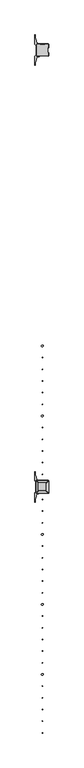
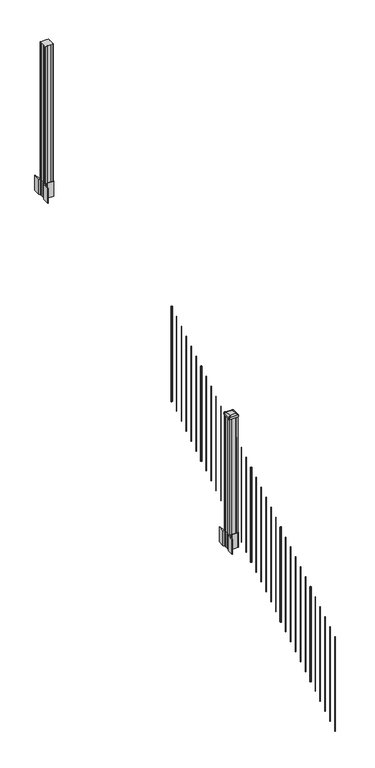
"""IFC4 building model written with IfcOpenShell, lengths in millimetres: railing geometry."""

import ifcopenshell
import ifcopenshell.guid

model = None  # the IFC model being written
_history = None  # IfcOwnerHistory: only IFC2X3 demands one
_inside = {}  # id of a spatial element -> (the spatial element, [elements in it])
_under = {}  # id of a project, library or spatial element -> (it, [spatial elements below it])
_declared = {}  # id of a project -> (the project, [libraries it declares])
_typed = {}  # id of a type object -> (the type object, [elements of that type])
_made_of = {}  # id of a material, layer set ... -> (it, [elements and type objects made of it])


def new_model(schema):
    """Start an empty IFC model of exactly this schema.

    Asked for "IFC4X3", IfcOpenShell would pick the latest addendum, in which some entities
    have other attributes; the version numbers below select the first issue.
    IFC2X3 requires an IfcOwnerHistory on every rooted entity: one is made here for all.
    """
    global model, _history
    if schema == "IFC4X3":
        model = ifcopenshell.file(schema_version=(4, 3, 0, 0))
    else:
        model = ifcopenshell.file(schema=schema)
    _inside.clear()
    _under.clear()
    _declared.clear()
    _typed.clear()
    _made_of.clear()
    _history = None
    if model.schema == "IFC2X3":
        org = make("IfcOrganization", Name="unknown")
        user = make(
            "IfcPersonAndOrganization",
            ThePerson=make("IfcPerson", FamilyName="unknown"),
            TheOrganization=org,
        )
        app = make(
            "IfcApplication",
            ApplicationDeveloper=org,
            Version="unknown",
            ApplicationFullName="unknown",
            ApplicationIdentifier="unknown",
        )
        _history = make(
            "IfcOwnerHistory",
            OwningUser=user,
            OwningApplication=app,
            ChangeAction="ADDED",
            CreationDate=0,
        )
    return model


def make(cls, **values):
    """One entity of the class cls with the attributes given. An attribute that is None is left unset."""
    return model.create_entity(
        cls, **{name: value for name, value in values.items() if value is not None}
    )


def rooted(cls, **values):
    """An entity with a GlobalId (a new one), such as an element, a storey or a relation."""
    return make(cls, GlobalId=ifcopenshell.guid.new(), OwnerHistory=_history, **values)


def si_unit(unit_type, name, prefix=None):
    """IfcSIUnit, for example si_unit("LENGTHUNIT", "METRE", prefix="MILLI")."""
    return make("IfcSIUnit", UnitType=unit_type, Prefix=prefix, Name=name)


def assignment(units):
    """IfcUnitAssignment: the units of a project."""
    return None if units is None else make("IfcUnitAssignment", Units=units)


def point(xyz):
    """IfcCartesianPoint."""
    return None if xyz is None else make("IfcCartesianPoint", Coordinates=xyz)


def direction(xyz):
    """IfcDirection."""
    return None if xyz is None else make("IfcDirection", DirectionRatios=xyz)


def frame(location, z_axis=None, x_axis=None):
    """IfcAxis2Placement3D, a coordinate frame: its origin and axes. An axis left out is left unset."""
    return make(
        "IfcAxis2Placement3D",
        Location=point(location),
        Axis=direction(z_axis),
        RefDirection=direction(x_axis),
    )


def frame_2d(location, x_axis=None):
    """IfcAxis2Placement2D, a coordinate frame in the plane: its origin and x axis."""
    return make(
        "IfcAxis2Placement2D", Location=point(location), RefDirection=direction(x_axis)
    )


def origin():
    """The frame at (0, 0, 0) with its axes left unset."""
    return frame((0.0, 0.0, 0.0))


def place(relative_to, where):
    """IfcLocalPlacement: puts the frame where relative to a parent placement (None: the world)."""
    return make(
        "IfcLocalPlacement", PlacementRelTo=relative_to, RelativePlacement=where
    )


def context(
    kind, dimensions, precision=None, world=None, true_north=None, identifier=None
):
    """IfcGeometricRepresentationContext, for example the 3D "Model" context."""
    return make(
        "IfcGeometricRepresentationContext",
        ContextIdentifier=identifier,
        ContextType=kind,
        CoordinateSpaceDimension=dimensions,
        Precision=precision,
        WorldCoordinateSystem=world,
        TrueNorth=true_north,
    )


def project(units=None, contexts=None):
    """IfcProject with its units and contexts."""
    return rooted(
        "IfcProject",
        Name="project",
        RepresentationContexts=contexts,
        UnitsInContext=assignment(units),
    )


def spatial(cls, under=None, at=None, **own):
    """A site, building, storey or space (cls), placed at a placement, below another one or the project."""
    s = rooted(cls, ObjectPlacement=at, **own)
    if under is not None:
        _under.setdefault(under.id(), (under, []))[1].append(s)
    return s


def polyline(points):
    """IfcPolyline through the points."""
    return make("IfcPolyline", Points=[point(p) for p in points])


def circle_curve(where, radius):
    """IfcCircle in the frame where."""
    return make("IfcCircle", Position=where, Radius=radius)


def trimmed(basis, trim1, trim2, sense, master):
    """IfcTrimmedCurve: the piece of a basis curve between two trims."""
    return make(
        "IfcTrimmedCurve",
        BasisCurve=basis,
        Trim1=trim1,
        Trim2=trim2,
        SenseAgreement=sense,
        MasterRepresentation=master,
    )


def segment(curve, same_sense, transition):
    """IfcCompositeCurveSegment."""
    return make(
        "IfcCompositeCurveSegment",
        Transition=transition,
        SameSense=same_sense,
        ParentCurve=curve,
    )


def composite_curve(segments, self_intersect=None):
    """IfcCompositeCurve: segments joined end to end."""
    return make("IfcCompositeCurve", Segments=segments, SelfIntersect=self_intersect)


def outline(outer, holes=None, kind="AREA"):
    """IfcArbitraryClosedProfileDef: a profile drawn as a closed curve; with holes, ...WithVoids."""
    if holes is None:
        return make("IfcArbitraryClosedProfileDef", ProfileType=kind, OuterCurve=outer)
    return make(
        "IfcArbitraryProfileDefWithVoids",
        ProfileType=kind,
        OuterCurve=outer,
        InnerCurves=holes,
    )


def extrude(swept, where, along, depth):
    """IfcExtrudedAreaSolid: the profile swept, set in the frame where, extruded along a direction by depth."""
    return make(
        "IfcExtrudedAreaSolid",
        SweptArea=swept,
        Position=where,
        ExtrudedDirection=direction(along),
        Depth=depth,
    )


def shape(context_of_items, identifier, shape_type, items):
    """IfcShapeRepresentation: the items that make up one representation, for example the "Body"."""
    return make(
        "IfcShapeRepresentation",
        ContextOfItems=context_of_items,
        RepresentationIdentifier=identifier,
        RepresentationType=shape_type,
        Items=items,
    )


def source(mapping_origin, context_of_items, identifier, shape_type, items):
    """IfcRepresentationMap: a shape defined once, which mapped items show again and again."""
    return make(
        "IfcRepresentationMap",
        MappingOrigin=mapping_origin,
        MappedRepresentation=shape(context_of_items, identifier, shape_type, items),
    )


def transform(
    local_origin,
    x_axis=None,
    y_axis=None,
    z_axis=None,
    scale=None,
    scale2=None,
    scale3=None,
    uniform=True,
):
    """IfcCartesianTransformationOperator3D, or its non-uniform kind. x_axis, y_axis, z_axis: its Axis1, 2, 3."""
    if uniform:
        return make(
            "IfcCartesianTransformationOperator3D",
            Axis1=direction(x_axis),
            Axis2=direction(y_axis),
            LocalOrigin=point(local_origin),
            Scale=scale,
            Axis3=direction(z_axis),
        )
    return make(
        "IfcCartesianTransformationOperator3DnonUniform",
        Axis1=direction(x_axis),
        Axis2=direction(y_axis),
        LocalOrigin=point(local_origin),
        Scale=scale,
        Axis3=direction(z_axis),
        Scale2=scale2,
        Scale3=scale3,
    )


def mapped(mapping_source, mapping_target):
    """IfcMappedItem: shows the shape of a source again, moved by a transform."""
    return make(
        "IfcMappedItem", MappingSource=mapping_source, MappingTarget=mapping_target
    )


def made_of(thing, what):
    """Note that an element or type object is made of a material, layer set ...; save() writes the relation."""
    if what is not None:
        _made_of.setdefault(what.id(), (what, []))[1].append(thing)
    return thing


def element(
    cls,
    number,
    at=None,
    inside=None,
    cuts=None,
    type_object=None,
    material=None,
    context=None,
    identifier="Body",
    shape_type=None,
    held_by="IfcProductDefinitionShape",
    body=None,
    shapes=None,
    **own,
):
    """One element of the class cls, such as IfcWall. Its Tag is "e" and its number.

    at: its placement. inside: the storey or other place that contains it. cuts: it is an
    opening in that element (IfcRelVoidsElement). A single representation is given by context,
    identifier, shape_type and body (its items); several are given by shapes. held_by: the class
    of the entity that holds the representations. save() writes the other relations.
    """
    e = rooted(cls, Tag="e%d" % number, ObjectPlacement=at, **own)
    if body is not None:
        shapes = [shape(context, identifier, shape_type, body)]
    if shapes is not None:
        e.Representation = make(held_by, Representations=shapes)
    if inside is not None:
        _inside.setdefault(inside.id(), (inside, []))[1].append(e)
    if cuts is not None:
        rooted(
            "IfcRelVoidsElement", RelatingBuildingElement=cuts, RelatedOpeningElement=e
        )
    if type_object is not None:
        _typed.setdefault(type_object.id(), (type_object, []))[1].append(e)
    return made_of(e, material)


def aggregate(whole, parts):
    """IfcRelAggregates: a whole, such as a stair, and the parts it consists of."""
    return rooted("IfcRelAggregates", RelatingObject=whole, RelatedObjects=parts)


def save(model, path):
    """Write the relations noted so far, then the file.

    IfcRelAggregates (storeys below a building ...), IfcRelContainedInSpatialStructure (elements
    in a storey), IfcRelDefinesByType, IfcRelAssociatesMaterial and IfcRelDeclares: one each for
    every whole, place, type object, material and project.
    """
    for whole, parts in _under.values():
        aggregate(whole, parts)
    for where, things in _inside.values():
        rooted(
            "IfcRelContainedInSpatialStructure",
            RelatedElements=things,
            RelatingStructure=where,
        )
    for kind, things in _typed.values():
        rooted("IfcRelDefinesByType", RelatedObjects=things, RelatingType=kind)
    for what, things in _made_of.values():
        rooted("IfcRelAssociatesMaterial", RelatedObjects=things, RelatingMaterial=what)
    for by, libraries in _declared.values():
        rooted("IfcRelDeclares", RelatingContext=by, RelatedDefinitions=libraries)
    model.write(path)


def plane_surface(at):
    """IfcPlane: the flat surface through the origin of the frame at, square to its z axis."""
    return make("IfcPlane", Position=at)


def extruded_surface(curve, direction_of_extrusion, depth):
    """IfcSurfaceOfLinearExtrusion: the curve pushed along a direction by depth."""
    return make(
        "IfcSurfaceOfLinearExtrusion",
        SweptCurve=make("IfcArbitraryOpenProfileDef", ProfileType="CURVE", Curve=curve),
        ExtrudedDirection=direction(direction_of_extrusion),
        Depth=depth,
    )


def advanced_brep(points, edges, surfaces, faces):
    """IfcAdvancedBrep: a solid bounded by faces that lie on surfaces and meet in shared edges.

    An edge is (start, end): straight between two places in points (the first is 0);
    or (start, end, curve); or (start, end, curve, False) where it runs against its curve.
    A face is (place in surfaces, loops), or (place, loops, False) where it looks against
    its surface's normal. A loop lists edges by number (the first is 1), with a minus sign
    where the edge is run from its end to its start. The first loop is the outer one.
    """
    corners = [point(p) for p in points]
    vertices = [make("IfcVertexPoint", VertexGeometry=c) for c in corners]
    made = []
    for start, end, *more in edges:
        made.append(
            make(
                "IfcEdgeCurve",
                EdgeStart=vertices[start],
                EdgeEnd=vertices[end],
                EdgeGeometry=more[0] if more else make("IfcPolyline", Points=[corners[start], corners[end]]),
                SameSense=more[1] if len(more) > 1 else True,
            )
        )
    hull = []
    for where, loops, *sense in faces:
        bounds = []
        for j, loop in enumerate(loops):
            ring = [make("IfcOrientedEdge", EdgeElement=made[abs(k) - 1], Orientation=k > 0) for k in loop]
            bounds.append(
                make(
                    "IfcFaceOuterBound" if j == 0 else "IfcFaceBound",
                    Bound=make("IfcEdgeLoop", EdgeList=ring),
                    Orientation=True,
                )
            )
        hull.append(make("IfcAdvancedFace", Bounds=bounds, FaceSurface=surfaces[where], SameSense=sense[0] if sense else True))
    return make("IfcAdvancedBrep", Outer=make("IfcClosedShell", CfsFaces=hull))


def railing_eb08a480(model_context):
    return source(origin(), model_context, "Body", "SolidModel", [
        extrude(outline(composite_curve([segment(trimmed(circle_curve(frame_2d((9703.2376478, -84632.7128453)), 6.35), [point((9709.5876478, -84632.7128453))], [point((9703.2376478, -84639.0628453))], False, "CARTESIAN"), True, "CONTINUOUS"), segment(trimmed(circle_curve(frame_2d((9703.2376478, -84632.7128453)), 6.35), [point((9703.2376478, -84639.0628453))], [point((9696.8876478, -84632.7128453))], False, "CARTESIAN"), True, "CONTINUOUS"), segment(trimmed(circle_curve(frame_2d((9703.2376478, -84632.7128453)), 6.35), [point((9696.8876478, -84632.7128453))], [point((9703.2376478, -84626.3628453))], False, "CARTESIAN"), True, "CONTINUOUS"), segment(trimmed(circle_curve(frame_2d((9703.2376478, -84632.7128453)), 6.35), [point((9703.2376478, -84626.3628453))], [point((9709.5876478, -84632.7128453))], False, "CARTESIAN"), True, "CONTINUOUS")], self_intersect=False)), frame((0.0, 0.0, 2058.1896281), z_axis=(0.0, 0.0, 1.0), x_axis=(1.0, 0.0, 0.0)), (0.0, 0.0, 1.0), 965.2041219),
        extrude(outline(composite_curve([segment(trimmed(circle_curve(frame_2d((9703.2376478, -84715.2628453)), 1.5875), [point((9704.8251478, -84715.2628453))], [point((9703.2376478, -84716.8503453))], False, "CARTESIAN"), True, "CONTINUOUS"), segment(trimmed(circle_curve(frame_2d((9703.2376478, -84715.2628453)), 1.5875), [point((9703.2376478, -84716.8503453))], [point((9701.6501478, -84715.2628453))], False, "CARTESIAN"), True, "CONTINUOUS"), segment(trimmed(circle_curve(frame_2d((9703.2376478, -84715.2628453)), 1.5875), [point((9701.6501478, -84715.2628453))], [point((9703.2376478, -84713.6753453))], False, "CARTESIAN"), True, "CONTINUOUS"), segment(trimmed(circle_curve(frame_2d((9703.2376478, -84715.2628453)), 1.5875), [point((9703.2376478, -84713.6753453))], [point((9704.8251478, -84715.2628453))], False, "CARTESIAN"), True, "CONTINUOUS")], self_intersect=False)), frame((0.0, 0.0, 2006.5958781), z_axis=(0.0, 0.0, 1.0), x_axis=(1.0, 0.0, 0.0)), (0.0, 0.0, 1.0), 965.2041219),
        extrude(outline(composite_curve([segment(trimmed(circle_curve(frame_2d((9703.2376478, -84797.8128453)), 1.5875), [point((9704.8251478, -84797.8128453))], [point((9703.2376478, -84799.4003453))], False, "CARTESIAN"), True, "CONTINUOUS"), segment(trimmed(circle_curve(frame_2d((9703.2376478, -84797.8128453)), 1.5875), [point((9703.2376478, -84799.4003453))], [point((9701.6501478, -84797.8128453))], False, "CARTESIAN"), True, "CONTINUOUS"), segment(trimmed(circle_curve(frame_2d((9703.2376478, -84797.8128453)), 1.5875), [point((9701.6501478, -84797.8128453))], [point((9703.2376478, -84796.2253453))], False, "CARTESIAN"), True, "CONTINUOUS"), segment(trimmed(circle_curve(frame_2d((9703.2376478, -84797.8128453)), 1.5875), [point((9703.2376478, -84796.2253453))], [point((9704.8251478, -84797.8128453))], False, "CARTESIAN"), True, "CONTINUOUS")], self_intersect=False)), frame((0.0, 0.0, 1955.0021281), z_axis=(0.0, 0.0, 1.0), x_axis=(1.0, 0.0, 0.0)), (0.0, 0.0, 1.0), 965.2041219),
        extrude(outline(composite_curve([segment(trimmed(circle_curve(frame_2d((9703.2376478, -84880.3628453)), 1.5875), [point((9704.8251478, -84880.3628453))], [point((9703.2376478, -84881.9503453))], False, "CARTESIAN"), True, "CONTINUOUS"), segment(trimmed(circle_curve(frame_2d((9703.2376478, -84880.3628453)), 1.5875), [point((9703.2376478, -84881.9503453))], [point((9701.6501478, -84880.3628453))], False, "CARTESIAN"), True, "CONTINUOUS"), segment(trimmed(circle_curve(frame_2d((9703.2376478, -84880.3628453)), 1.5875), [point((9701.6501478, -84880.3628453))], [point((9703.2376478, -84878.7753453))], False, "CARTESIAN"), True, "CONTINUOUS"), segment(trimmed(circle_curve(frame_2d((9703.2376478, -84880.3628453)), 1.5875), [point((9703.2376478, -84878.7753453))], [point((9704.8251478, -84880.3628453))], False, "CARTESIAN"), True, "CONTINUOUS")], self_intersect=False)), frame((0.0, 0.0, 1903.4083781), z_axis=(0.0, 0.0, 1.0), x_axis=(1.0, 0.0, 0.0)), (0.0, 0.0, 1.0), 965.2041219),
        extrude(outline(composite_curve([segment(trimmed(circle_curve(frame_2d((9703.2376478, -84962.9128453)), 1.5875), [point((9704.8251478, -84962.9128453))], [point((9703.2376478, -84964.5003453))], False, "CARTESIAN"), True, "CONTINUOUS"), segment(trimmed(circle_curve(frame_2d((9703.2376478, -84962.9128453)), 1.5875), [point((9703.2376478, -84964.5003453))], [point((9701.6501478, -84962.9128453))], False, "CARTESIAN"), True, "CONTINUOUS"), segment(trimmed(circle_curve(frame_2d((9703.2376478, -84962.9128453)), 1.5875), [point((9701.6501478, -84962.9128453))], [point((9703.2376478, -84961.3253453))], False, "CARTESIAN"), True, "CONTINUOUS"), segment(trimmed(circle_curve(frame_2d((9703.2376478, -84962.9128453)), 1.5875), [point((9703.2376478, -84961.3253453))], [point((9704.8251478, -84962.9128453))], False, "CARTESIAN"), True, "CONTINUOUS")], self_intersect=False)), frame((0.0, 0.0, 1851.8146281), z_axis=(0.0, 0.0, 1.0), x_axis=(1.0, 0.0, 0.0)), (0.0, 0.0, 1.0), 965.2041219),
        extrude(outline(composite_curve([segment(trimmed(circle_curve(frame_2d((9703.2376478, -85045.4628453)), 1.5875), [point((9704.8251478, -85045.4628453))], [point((9703.2376478, -85047.0503453))], False, "CARTESIAN"), True, "CONTINUOUS"), segment(trimmed(circle_curve(frame_2d((9703.2376478, -85045.4628453)), 1.5875), [point((9703.2376478, -85047.0503453))], [point((9701.6501478, -85045.4628453))], False, "CARTESIAN"), True, "CONTINUOUS"), segment(trimmed(circle_curve(frame_2d((9703.2376478, -85045.4628453)), 1.5875), [point((9701.6501478, -85045.4628453))], [point((9703.2376478, -85043.8753453))], False, "CARTESIAN"), True, "CONTINUOUS"), segment(trimmed(circle_curve(frame_2d((9703.2376478, -85045.4628453)), 1.5875), [point((9703.2376478, -85043.8753453))], [point((9704.8251478, -85045.4628453))], False, "CARTESIAN"), True, "CONTINUOUS")], self_intersect=False)), frame((0.0, 0.0, 1800.2208781), z_axis=(0.0, 0.0, 1.0), x_axis=(1.0, 0.0, 0.0)), (0.0, 0.0, 1.0), 965.2041219),
        extrude(outline(composite_curve([segment(trimmed(circle_curve(frame_2d((9703.2376478, -85128.0128453)), 6.35), [point((9709.5876478, -85128.0128453))], [point((9703.2376478, -85134.3628453))], False, "CARTESIAN"), True, "CONTINUOUS"), segment(trimmed(circle_curve(frame_2d((9703.2376478, -85128.0128453)), 6.35), [point((9703.2376478, -85134.3628453))], [point((9696.8876478, -85128.0128453))], False, "CARTESIAN"), True, "CONTINUOUS"), segment(trimmed(circle_curve(frame_2d((9703.2376478, -85128.0128453)), 6.35), [point((9696.8876478, -85128.0128453))], [point((9703.2376478, -85121.6628453))], False, "CARTESIAN"), True, "CONTINUOUS"), segment(trimmed(circle_curve(frame_2d((9703.2376478, -85128.0128453)), 6.35), [point((9703.2376478, -85121.6628453))], [point((9709.5876478, -85128.0128453))], False, "CARTESIAN"), True, "CONTINUOUS")], self_intersect=False)), frame((0.0, 0.0, 1748.6271281), z_axis=(0.0, 0.0, 1.0), x_axis=(1.0, 0.0, 0.0)), (0.0, 0.0, 1.0), 965.2041219),
        extrude(outline(composite_curve([segment(trimmed(circle_curve(frame_2d((9703.2376478, -85210.5628453)), 1.5875), [point((9704.8251478, -85210.5628453))], [point((9703.2376478, -85212.1503453))], False, "CARTESIAN"), True, "CONTINUOUS"), segment(trimmed(circle_curve(frame_2d((9703.2376478, -85210.5628453)), 1.5875), [point((9703.2376478, -85212.1503453))], [point((9701.6501478, -85210.5628453))], False, "CARTESIAN"), True, "CONTINUOUS"), segment(trimmed(circle_curve(frame_2d((9703.2376478, -85210.5628453)), 1.5875), [point((9701.6501478, -85210.5628453))], [point((9703.2376478, -85208.9753453))], False, "CARTESIAN"), True, "CONTINUOUS"), segment(trimmed(circle_curve(frame_2d((9703.2376478, -85210.5628453)), 1.5875), [point((9703.2376478, -85208.9753453))], [point((9704.8251478, -85210.5628453))], False, "CARTESIAN"), True, "CONTINUOUS")], self_intersect=False)), frame((0.0, 0.0, 1697.0333781), z_axis=(0.0, 0.0, 1.0), x_axis=(1.0, 0.0, 0.0)), (0.0, 0.0, 1.0), 965.2041219),
        extrude(outline(composite_curve([segment(trimmed(circle_curve(frame_2d((9703.2376478, -85293.1128453)), 1.5875), [point((9704.8251478, -85293.1128453))], [point((9703.2376478, -85294.7003453))], False, "CARTESIAN"), True, "CONTINUOUS"), segment(trimmed(circle_curve(frame_2d((9703.2376478, -85293.1128453)), 1.5875), [point((9703.2376478, -85294.7003453))], [point((9701.6501478, -85293.1128453))], False, "CARTESIAN"), True, "CONTINUOUS"), segment(trimmed(circle_curve(frame_2d((9703.2376478, -85293.1128453)), 1.5875), [point((9701.6501478, -85293.1128453))], [point((9703.2376478, -85291.5253453))], False, "CARTESIAN"), True, "CONTINUOUS"), segment(trimmed(circle_curve(frame_2d((9703.2376478, -85293.1128453)), 1.5875), [point((9703.2376478, -85291.5253453))], [point((9704.8251478, -85293.1128453))], False, "CARTESIAN"), True, "CONTINUOUS")], self_intersect=False)), frame((0.0, 0.0, 1645.4396281), z_axis=(0.0, 0.0, 1.0), x_axis=(1.0, 0.0, 0.0)), (0.0, 0.0, 1.0), 965.2041219),
        extrude(outline(composite_curve([segment(trimmed(circle_curve(frame_2d((9703.2376478, -85375.6628453)), 1.5875), [point((9704.8251478, -85375.6628453))], [point((9703.2376478, -85377.2503453))], False, "CARTESIAN"), True, "CONTINUOUS"), segment(trimmed(circle_curve(frame_2d((9703.2376478, -85375.6628453)), 1.5875), [point((9703.2376478, -85377.2503453))], [point((9701.6501478, -85375.6628453))], False, "CARTESIAN"), True, "CONTINUOUS"), segment(trimmed(circle_curve(frame_2d((9703.2376478, -85375.6628453)), 1.5875), [point((9701.6501478, -85375.6628453))], [point((9703.2376478, -85374.0753453))], False, "CARTESIAN"), True, "CONTINUOUS"), segment(trimmed(circle_curve(frame_2d((9703.2376478, -85375.6628453)), 1.5875), [point((9703.2376478, -85374.0753453))], [point((9704.8251478, -85375.6628453))], False, "CARTESIAN"), True, "CONTINUOUS")], self_intersect=False)), frame((0.0, 0.0, 1593.8458781), z_axis=(0.0, 0.0, 1.0), x_axis=(1.0, 0.0, 0.0)), (0.0, 0.0, 1.0), 965.2041219),
        extrude(outline(composite_curve([segment(trimmed(circle_curve(frame_2d((9703.2376478, -85458.2128453)), 1.5875), [point((9704.8251478, -85458.2128453))], [point((9703.2376478, -85459.8003453))], False, "CARTESIAN"), True, "CONTINUOUS"), segment(trimmed(circle_curve(frame_2d((9703.2376478, -85458.2128453)), 1.5875), [point((9703.2376478, -85459.8003453))], [point((9701.6501478, -85458.2128453))], False, "CARTESIAN"), True, "CONTINUOUS"), segment(trimmed(circle_curve(frame_2d((9703.2376478, -85458.2128453)), 1.5875), [point((9701.6501478, -85458.2128453))], [point((9703.2376478, -85456.6253453))], False, "CARTESIAN"), True, "CONTINUOUS"), segment(trimmed(circle_curve(frame_2d((9703.2376478, -85458.2128453)), 1.5875), [point((9703.2376478, -85456.6253453))], [point((9704.8251478, -85458.2128453))], False, "CARTESIAN"), True, "CONTINUOUS")], self_intersect=False)), frame((0.0, 0.0, 1542.2521281), z_axis=(0.0, 0.0, 1.0), x_axis=(1.0, 0.0, 0.0)), (0.0, 0.0, 1.0), 965.2041219),
        extrude(outline(composite_curve([segment(trimmed(circle_curve(frame_2d((9703.2376478, -85540.7628453)), 1.5875), [point((9704.8251478, -85540.7628453))], [point((9703.2376478, -85542.3503453))], False, "CARTESIAN"), True, "CONTINUOUS"), segment(trimmed(circle_curve(frame_2d((9703.2376478, -85540.7628453)), 1.5875), [point((9703.2376478, -85542.3503453))], [point((9701.6501478, -85540.7628453))], False, "CARTESIAN"), True, "CONTINUOUS"), segment(trimmed(circle_curve(frame_2d((9703.2376478, -85540.7628453)), 1.5875), [point((9701.6501478, -85540.7628453))], [point((9703.2376478, -85539.1753453))], False, "CARTESIAN"), True, "CONTINUOUS"), segment(trimmed(circle_curve(frame_2d((9703.2376478, -85540.7628453)), 1.5875), [point((9703.2376478, -85539.1753453))], [point((9704.8251478, -85540.7628453))], False, "CARTESIAN"), True, "CONTINUOUS")], self_intersect=False)), frame((0.0, 0.0, 1490.6583781), z_axis=(0.0, 0.0, 1.0), x_axis=(1.0, 0.0, 0.0)), (0.0, 0.0, 1.0), 965.2041219),
        extrude(outline(composite_curve([segment(polyline([(9745.9731478, -85647.0489401), (9747.5606478, -85647.8109401), (9747.5606478, -85670.6128682), (9744.1876707, -85673.9858453), (9682.7279999, -85673.9858453), (9682.7279999, -85674.9065953), (9677.4104561, -85674.9065953), (9677.4104561, -85676.36085), (9672.3259264, -85676.36085), (9672.3259264, -85677.6448738), (9670.6586541, -85677.6448738)]), True, "CONTINUOUS"), segment(trimmed(circle_curve(frame_2d((9670.6586541, -85684.7043337)), 7.0594599), [point((9670.6586541, -85677.6448738))], [point((9663.8913912, -85682.694327))], True, "CARTESIAN"), True, "CONTINUOUS"), segment(polyline([(9663.8913912, -85682.694327), (9656.0171969, -85709.2050561)]), True, "CONTINUOUS"), segment(trimmed(circle_curve(frame_2d((9710.8017103, -85725.4771057)), 57.15), [point((9656.0171969, -85709.2050561))], [point((9653.6517103, -85725.4771057))], True, "CARTESIAN"), True, "CONTINUOUS"), segment(polyline([(9653.6517103, -85725.4771057), (9653.6517103, -85737.4858453), (9650.6517103, -85737.4858453), (9650.6517103, -85672.3983453), (9658.9146478, -85661.060054), (9658.9146478, -85647.8109401), (9660.5021478, -85647.0489401), (9660.5021478, -85612.2767504), (9658.9146478, -85611.5147504), (9658.9146478, -85598.2656366), (9650.6517103, -85586.9273453), (9650.6517103, -85521.8398453), (9653.6517103, -85521.8398453), (9653.6517103, -85533.8485848)]), True, "CONTINUOUS"), segment(trimmed(circle_curve(frame_2d((9710.8017103, -85533.8485848)), 57.15), [point((9653.6517103, -85533.8485848))], [point((9656.0171969, -85550.1206345))], True, "CARTESIAN"), True, "CONTINUOUS"), segment(polyline([(9656.0171969, -85550.1206345), (9663.8913912, -85576.6313636)]), True, "CONTINUOUS"), segment(trimmed(circle_curve(frame_2d((9670.6586541, -85574.6213569)), 7.0594599), [point((9663.8913912, -85576.6313636))], [point((9670.6586541, -85581.6808168))], True, "CARTESIAN"), True, "CONTINUOUS"), segment(polyline([(9670.6586541, -85581.6808168), (9672.3259264, -85581.6808168), (9672.3259264, -85582.9648406), (9677.4104561, -85582.9648406), (9677.4104561, -85584.4190953), (9682.7279999, -85584.4190953), (9682.7279999, -85585.3398453), (9744.1876707, -85585.3398453), (9747.5606478, -85588.7128224), (9747.5606478, -85611.5147504), (9745.9731478, -85612.2767504), (9745.9731478, -85647.0489401)]), True, "CONTINUOUS")], self_intersect=False), holes=[polyline([(9661.9626478, -85589.9753453), (9661.9626478, -85669.3503453), (9663.5501478, -85670.9378453), (9700.4744304, -85670.9378453), (9742.9251478, -85670.9378453), (9744.5126478, -85669.3503453), (9744.5126478, -85589.9753453), (9742.9251478, -85588.3878453), (9700.4744304, -85588.3878453), (9663.5501478, -85588.3878453), (9661.9626478, -85589.9753453)])]), frame((0.0, 0.0, 1181.1), z_axis=(0.0, 0.0, 1.0), x_axis=(1.0, 0.0, 0.0)), (0.0, 0.0, 1.0), 152.4),
        advanced_brep(
        [(9677.4407728, -85658.6347203, 2545.839263), (9729.0345228, -85658.6347203, 2545.839263), (9732.2095228, -85655.4597203, 2545.839263), (9732.2095228, -85603.8659703, 2545.839263), (9729.0345228, -85600.6909703, 2545.839263), (9677.4407728, -85600.6909703, 2545.839263), (9674.2657728, -85603.8659703, 2545.839263), (9674.2657728, -85655.4597203, 2545.839263), (9661.1688978, -85674.9065953, 2534.536263), (9657.9938978, -85671.7315953, 2534.536263), (9657.9938978, -85587.5940953, 2534.536263), (9661.1688978, -85584.4190953, 2534.536263), (9745.3063978, -85584.4190953, 2534.536263), (9748.4813978, -85587.5940953, 2534.536263), (9748.4813978, -85671.7315953, 2534.536263), (9745.3063978, -85674.9065953, 2534.536263)],
        [
            (0, 1),
            (1, 2, circle_curve(frame((9729.0345228, -85655.4597203, 2545.839263), z_axis=(0.0, 0.0, 1.0), x_axis=(0.0, 1.0, 0.0)), 3.175)),
            (2, 3),
            (3, 4, circle_curve(frame((9729.0345228, -85603.8659703, 2545.839263), z_axis=(0.0, 0.0, 1.0), x_axis=(0.0, 1.0, 0.0)), 3.175)),
            (4, 5),
            (5, 6, circle_curve(frame((9677.4407728, -85603.8659703, 2545.839263), z_axis=(0.0, 0.0, 1.0), x_axis=(0.0, 1.0, 0.0)), 3.175)),
            (6, 7),
            (7, 0, circle_curve(frame((9677.4407728, -85655.4597203, 2545.839263), z_axis=(0.0, 0.0, 1.0), x_axis=(0.0, 1.0, 0.0)), 3.175)),
            (8, 9, circle_curve(frame((9661.1688978, -85671.7315953, 2534.536263), z_axis=(0.0, 0.0, -1.0), x_axis=(0.0, 1.0, 0.0)), 3.175)),
            (9, 10),
            (10, 11, circle_curve(frame((9661.1688978, -85587.5940953, 2534.536263), z_axis=(0.0, 0.0, -1.0), x_axis=(0.0, 1.0, 0.0)), 3.175)),
            (11, 12),
            (12, 13, circle_curve(frame((9745.3063978, -85587.5940953, 2534.536263), z_axis=(0.0, 0.0, -1.0), x_axis=(0.0, 1.0, 0.0)), 3.175)),
            (13, 14),
            (14, 15, circle_curve(frame((9745.3063978, -85671.7315953, 2534.536263), z_axis=(0.0, 0.0, -1.0), x_axis=(0.0, 1.0, 0.0)), 3.175)),
            (15, 8),
            (8, 0),
            (7, 9),
            (6, 10),
            (5, 11),
            (4, 12),
            (3, 13),
            (2, 14),
            (1, 15),
        ],
        [
            plane_surface(frame((9703.2376478, -85629.6628453, 2545.839263), z_axis=(0.0, 0.0, 1.0), x_axis=(-1.0, 0.0, 0.0))),
            plane_surface(frame((9703.2376478, -85629.6628453, 2534.536263), z_axis=(0.0, 0.0, -1.0), x_axis=(-1.0, 0.0, 0.0))),
            extruded_surface(trimmed(circle_curve(frame((9677.4407728, -85655.4597203, 2545.839263), z_axis=(0.0, 0.0, -1.0), x_axis=(0.0, 1.0, 0.0)), 3.175), [point((9677.4407728, -85658.6347203, 2545.839263))], [point((9674.2657728, -85655.4597203, 2545.839263))], True, "CARTESIAN"), (-16.271875000000364, -16.27187500000582, -11.302999999999884), 25.637972638870036),
            plane_surface(frame((9657.9938978, -85629.6628453, 2534.536263), z_axis=(-0.5705009161540778, 0.0, 0.8212969649690408), x_axis=(0.0, 1.0, 0.0))),
            extruded_surface(trimmed(circle_curve(frame((9677.4407728, -85603.8659703, 2545.839263), z_axis=(0.0, 0.0, -1.0), x_axis=(0.0, 1.0, 0.0)), 3.175), [point((9674.2657728, -85603.8659703, 2545.839263))], [point((9677.4407728, -85600.6909703, 2545.839263))], True, "CARTESIAN"), (-16.271875000000364, 16.27187500000582, -11.302999999999884), 25.637972638870036),
            plane_surface(frame((9703.2376478, -85584.4190953, 2534.536263), z_axis=(0.0, 0.5705009161540291, 0.8212969649690747), x_axis=(1.0, 0.0, 0.0))),
            extruded_surface(trimmed(circle_curve(frame((9729.0345228, -85603.8659703, 2545.839263), z_axis=(0.0, 0.0, -1.0), x_axis=(0.0, 1.0, 0.0)), 3.175), [point((9729.0345228, -85600.6909703, 2545.839263))], [point((9732.2095228, -85603.8659703, 2545.839263))], True, "CARTESIAN"), (16.271874999998545, 16.27187500000582, -11.302999999999884), 25.63797263886888),
            plane_surface(frame((9748.4813978, -85629.6628453, 2534.536263), z_axis=(0.5705009161540142, 0.0, 0.8212969649690851), x_axis=(0.0, -1.0, 0.0))),
            extruded_surface(trimmed(circle_curve(frame((9729.0345228, -85655.4597203, 2545.839263), z_axis=(0.0, 0.0, -1.0), x_axis=(0.0, 1.0, 0.0)), 3.175), [point((9732.2095228, -85655.4597203, 2545.839263))], [point((9729.0345228, -85658.6347203, 2545.839263))], True, "CARTESIAN"), (16.271874999998545, -16.27187500000582, -11.302999999999884), 25.63797263886888),
            plane_surface(frame((9703.2376478, -85674.9065953, 2534.536263), z_axis=(0.0, -0.570500916154034, 0.8212969649690713), x_axis=(-1.0, 0.0, 0.0))),
        ],
        [
            (0, [[1, 2, 3, 4, 5, 6, 7, 8]]),
            (1, [[9, 10, 11, 12, 13, 14, 15, 16]]),
            (2, [[17, -8, 18, -9]]),
            (3, [[-18, -7, 19, -10]]),
            (4, [[-19, -6, 20, -11]]),
            (5, [[-20, -5, 21, -12]]),
            (6, [[-21, -4, 22, -13]]),
            (7, [[-22, -3, 23, -14]]),
            (8, [[-23, -2, 24, -15]]),
            (9, [[-24, -1, -17, -16]]),
        ],
    ),
        extrude(outline(composite_curve([segment(trimmed(circle_curve(frame_2d((9661.1688978, -85671.7315953)), 3.175), [point((9661.1688978, -85674.9065953))], [point((9657.9938978, -85671.7315953))], False, "CARTESIAN"), True, "CONTINUOUS"), segment(polyline([(9657.9938978, -85671.7315953), (9657.9938978, -85587.5940953)]), True, "CONTINUOUS"), segment(trimmed(circle_curve(frame_2d((9661.1688978, -85587.5940953)), 3.175), [point((9657.9938978, -85587.5940953))], [point((9661.1688978, -85584.4190953))], False, "CARTESIAN"), True, "CONTINUOUS"), segment(polyline([(9661.1688978, -85584.4190953), (9745.3063978, -85584.4190953)]), True, "CONTINUOUS"), segment(trimmed(circle_curve(frame_2d((9745.3063978, -85587.5940953)), 3.175), [point((9745.3063978, -85584.4190953))], [point((9748.4813978, -85587.5940953))], False, "CARTESIAN"), True, "CONTINUOUS"), segment(polyline([(9748.4813978, -85587.5940953), (9748.4813978, -85671.7315953)]), True, "CONTINUOUS"), segment(trimmed(circle_curve(frame_2d((9745.3063978, -85671.7315953)), 3.175), [point((9748.4813978, -85671.7315953))], [point((9745.3063978, -85674.9065953))], False, "CARTESIAN"), True, "CONTINUOUS"), segment(polyline([(9745.3063978, -85674.9065953), (9661.1688978, -85674.9065953)]), True, "CONTINUOUS")], self_intersect=False)), frame((0.0, 0.0, 2517.264263), z_axis=(0.0, 0.0, 1.0), x_axis=(1.0, 0.0, 0.0)), (0.0, 0.0, 1.0), 17.272),
        extrude(outline(polyline([(9663.5501478, -85670.9378453), (9661.9626478, -85669.3503453), (9661.9626478, -85649.7288453), (9663.5501478, -85648.9668453), (9663.5501478, -85610.3588453), (9661.9626478, -85609.5968453), (9661.9626478, -85589.9753453), (9663.5501478, -85588.3878453), (9683.1716478, -85588.3878453), (9683.9336478, -85589.9753453), (9722.5416478, -85589.9753453), (9723.3036478, -85588.3878453), (9742.9251478, -85588.3878453), (9744.5126478, -85589.9753453), (9744.5126478, -85609.5968453), (9742.9251478, -85610.3588453), (9742.9251478, -85648.9668453), (9744.5126478, -85649.7288453), (9744.5126478, -85669.3503453), (9742.9251478, -85670.9378453), (9723.3036478, -85670.9378453), (9722.5416478, -85669.3503453), (9683.9336478, -85669.3503453), (9683.1716478, -85670.9378453), (9663.5501478, -85670.9378453)])), frame((0.0, 0.0, 1333.5), z_axis=(0.0, 0.0, 1.0), x_axis=(1.0, 0.0, 0.0)), (0.0, 0.0, 1.0), 1183.764263),
        extrude(outline(composite_curve([segment(trimmed(circle_curve(frame_2d((9703.2376478, -85718.5628453)), 1.5875), [point((9704.8251478, -85718.5628453))], [point((9703.2376478, -85720.1503453))], False, "CARTESIAN"), True, "CONTINUOUS"), segment(trimmed(circle_curve(frame_2d((9703.2376478, -85718.5628453)), 1.5875), [point((9703.2376478, -85720.1503453))], [point((9701.6501478, -85718.5628453))], False, "CARTESIAN"), True, "CONTINUOUS"), segment(trimmed(circle_curve(frame_2d((9703.2376478, -85718.5628453)), 1.5875), [point((9701.6501478, -85718.5628453))], [point((9703.2376478, -85716.9753453))], False, "CARTESIAN"), True, "CONTINUOUS"), segment(trimmed(circle_curve(frame_2d((9703.2376478, -85718.5628453)), 1.5875), [point((9703.2376478, -85716.9753453))], [point((9704.8251478, -85718.5628453))], False, "CARTESIAN"), True, "CONTINUOUS")], self_intersect=False)), frame((0.0, 0.0, 1379.5333781), z_axis=(0.0, 0.0, 1.0), x_axis=(1.0, 0.0, 0.0)), (0.0, 0.0, 1.0), 965.2041219),
        extrude(outline(composite_curve([segment(trimmed(circle_curve(frame_2d((9703.2376478, -85801.1128453)), 1.5875), [point((9704.8251478, -85801.1128453))], [point((9703.2376478, -85802.7003453))], False, "CARTESIAN"), True, "CONTINUOUS"), segment(trimmed(circle_curve(frame_2d((9703.2376478, -85801.1128453)), 1.5875), [point((9703.2376478, -85802.7003453))], [point((9701.6501478, -85801.1128453))], False, "CARTESIAN"), True, "CONTINUOUS"), segment(trimmed(circle_curve(frame_2d((9703.2376478, -85801.1128453)), 1.5875), [point((9701.6501478, -85801.1128453))], [point((9703.2376478, -85799.5253453))], False, "CARTESIAN"), True, "CONTINUOUS"), segment(trimmed(circle_curve(frame_2d((9703.2376478, -85801.1128453)), 1.5875), [point((9703.2376478, -85799.5253453))], [point((9704.8251478, -85801.1128453))], False, "CARTESIAN"), True, "CONTINUOUS")], self_intersect=False)), frame((0.0, 0.0, 1327.9396281), z_axis=(0.0, 0.0, 1.0), x_axis=(1.0, 0.0, 0.0)), (0.0, 0.0, 1.0), 965.2041219),
        extrude(outline(composite_curve([segment(trimmed(circle_curve(frame_2d((9703.2376478, -85883.6628453)), 1.5875), [point((9704.8251478, -85883.6628453))], [point((9703.2376478, -85885.2503453))], False, "CARTESIAN"), True, "CONTINUOUS"), segment(trimmed(circle_curve(frame_2d((9703.2376478, -85883.6628453)), 1.5875), [point((9703.2376478, -85885.2503453))], [point((9701.6501478, -85883.6628453))], False, "CARTESIAN"), True, "CONTINUOUS"), segment(trimmed(circle_curve(frame_2d((9703.2376478, -85883.6628453)), 1.5875), [point((9701.6501478, -85883.6628453))], [point((9703.2376478, -85882.0753453))], False, "CARTESIAN"), True, "CONTINUOUS"), segment(trimmed(circle_curve(frame_2d((9703.2376478, -85883.6628453)), 1.5875), [point((9703.2376478, -85882.0753453))], [point((9704.8251478, -85883.6628453))], False, "CARTESIAN"), True, "CONTINUOUS")], self_intersect=False)), frame((0.0, 0.0, 1276.3458781), z_axis=(0.0, 0.0, 1.0), x_axis=(1.0, 0.0, 0.0)), (0.0, 0.0, 1.0), 965.2041219),
        extrude(outline(composite_curve([segment(trimmed(circle_curve(frame_2d((9703.2376478, -85966.2128453)), 6.35), [point((9709.5876478, -85966.2128453))], [point((9703.2376478, -85972.5628453))], False, "CARTESIAN"), True, "CONTINUOUS"), segment(trimmed(circle_curve(frame_2d((9703.2376478, -85966.2128453)), 6.35), [point((9703.2376478, -85972.5628453))], [point((9696.8876478, -85966.2128453))], False, "CARTESIAN"), True, "CONTINUOUS"), segment(trimmed(circle_curve(frame_2d((9703.2376478, -85966.2128453)), 6.35), [point((9696.8876478, -85966.2128453))], [point((9703.2376478, -85959.8628453))], False, "CARTESIAN"), True, "CONTINUOUS"), segment(trimmed(circle_curve(frame_2d((9703.2376478, -85966.2128453)), 6.35), [point((9703.2376478, -85959.8628453))], [point((9709.5876478, -85966.2128453))], False, "CARTESIAN"), True, "CONTINUOUS")], self_intersect=False)), frame((0.0, 0.0, 1224.7521281), z_axis=(0.0, 0.0, 1.0), x_axis=(1.0, 0.0, 0.0)), (0.0, 0.0, 1.0), 965.2041219),
        extrude(outline(composite_curve([segment(trimmed(circle_curve(frame_2d((9703.2376478, -86048.7628453)), 1.5875), [point((9704.8251478, -86048.7628453))], [point((9703.2376478, -86050.3503453))], False, "CARTESIAN"), True, "CONTINUOUS"), segment(trimmed(circle_curve(frame_2d((9703.2376478, -86048.7628453)), 1.5875), [point((9703.2376478, -86050.3503453))], [point((9701.6501478, -86048.7628453))], False, "CARTESIAN"), True, "CONTINUOUS"), segment(trimmed(circle_curve(frame_2d((9703.2376478, -86048.7628453)), 1.5875), [point((9701.6501478, -86048.7628453))], [point((9703.2376478, -86047.1753453))], False, "CARTESIAN"), True, "CONTINUOUS"), segment(trimmed(circle_curve(frame_2d((9703.2376478, -86048.7628453)), 1.5875), [point((9703.2376478, -86047.1753453))], [point((9704.8251478, -86048.7628453))], False, "CARTESIAN"), True, "CONTINUOUS")], self_intersect=False)), frame((0.0, 0.0, 1173.1583781), z_axis=(0.0, 0.0, 1.0), x_axis=(1.0, 0.0, 0.0)), (0.0, 0.0, 1.0), 965.2041219),
        extrude(outline(composite_curve([segment(trimmed(circle_curve(frame_2d((9703.2376478, -86131.3128453)), 1.5875), [point((9704.8251478, -86131.3128453))], [point((9703.2376478, -86132.9003453))], False, "CARTESIAN"), True, "CONTINUOUS"), segment(trimmed(circle_curve(frame_2d((9703.2376478, -86131.3128453)), 1.5875), [point((9703.2376478, -86132.9003453))], [point((9701.6501478, -86131.3128453))], False, "CARTESIAN"), True, "CONTINUOUS"), segment(trimmed(circle_curve(frame_2d((9703.2376478, -86131.3128453)), 1.5875), [point((9701.6501478, -86131.3128453))], [point((9703.2376478, -86129.7253453))], False, "CARTESIAN"), True, "CONTINUOUS"), segment(trimmed(circle_curve(frame_2d((9703.2376478, -86131.3128453)), 1.5875), [point((9703.2376478, -86129.7253453))], [point((9704.8251478, -86131.3128453))], False, "CARTESIAN"), True, "CONTINUOUS")], self_intersect=False)), frame((0.0, 0.0, 1121.5646281), z_axis=(0.0, 0.0, 1.0), x_axis=(1.0, 0.0, 0.0)), (0.0, 0.0, 1.0), 965.2041219),
        extrude(outline(composite_curve([segment(trimmed(circle_curve(frame_2d((9703.2376478, -86213.8628453)), 1.5875), [point((9704.8251478, -86213.8628453))], [point((9703.2376478, -86215.4503453))], False, "CARTESIAN"), True, "CONTINUOUS"), segment(trimmed(circle_curve(frame_2d((9703.2376478, -86213.8628453)), 1.5875), [point((9703.2376478, -86215.4503453))], [point((9701.6501478, -86213.8628453))], False, "CARTESIAN"), True, "CONTINUOUS"), segment(trimmed(circle_curve(frame_2d((9703.2376478, -86213.8628453)), 1.5875), [point((9701.6501478, -86213.8628453))], [point((9703.2376478, -86212.2753453))], False, "CARTESIAN"), True, "CONTINUOUS"), segment(trimmed(circle_curve(frame_2d((9703.2376478, -86213.8628453)), 1.5875), [point((9703.2376478, -86212.2753453))], [point((9704.8251478, -86213.8628453))], False, "CARTESIAN"), True, "CONTINUOUS")], self_intersect=False)), frame((0.0, 0.0, 1069.9708781), z_axis=(0.0, 0.0, 1.0), x_axis=(1.0, 0.0, 0.0)), (0.0, 0.0, 1.0), 965.2041219),
        extrude(outline(composite_curve([segment(trimmed(circle_curve(frame_2d((9703.2376478, -86296.4128453)), 1.5875), [point((9704.8251478, -86296.4128453))], [point((9703.2376478, -86298.0003453))], False, "CARTESIAN"), True, "CONTINUOUS"), segment(trimmed(circle_curve(frame_2d((9703.2376478, -86296.4128453)), 1.5875), [point((9703.2376478, -86298.0003453))], [point((9701.6501478, -86296.4128453))], False, "CARTESIAN"), True, "CONTINUOUS"), segment(trimmed(circle_curve(frame_2d((9703.2376478, -86296.4128453)), 1.5875), [point((9701.6501478, -86296.4128453))], [point((9703.2376478, -86294.8253453))], False, "CARTESIAN"), True, "CONTINUOUS"), segment(trimmed(circle_curve(frame_2d((9703.2376478, -86296.4128453)), 1.5875), [point((9703.2376478, -86294.8253453))], [point((9704.8251478, -86296.4128453))], False, "CARTESIAN"), True, "CONTINUOUS")], self_intersect=False)), frame((0.0, 0.0, 1018.3771281), z_axis=(0.0, 0.0, 1.0), x_axis=(1.0, 0.0, 0.0)), (0.0, 0.0, 1.0), 965.2041219),
        extrude(outline(composite_curve([segment(trimmed(circle_curve(frame_2d((9703.2376478, -86378.9628453)), 1.5875), [point((9704.8251478, -86378.9628453))], [point((9703.2376478, -86380.5503453))], False, "CARTESIAN"), True, "CONTINUOUS"), segment(trimmed(circle_curve(frame_2d((9703.2376478, -86378.9628453)), 1.5875), [point((9703.2376478, -86380.5503453))], [point((9701.6501478, -86378.9628453))], False, "CARTESIAN"), True, "CONTINUOUS"), segment(trimmed(circle_curve(frame_2d((9703.2376478, -86378.9628453)), 1.5875), [point((9701.6501478, -86378.9628453))], [point((9703.2376478, -86377.3753453))], False, "CARTESIAN"), True, "CONTINUOUS"), segment(trimmed(circle_curve(frame_2d((9703.2376478, -86378.9628453)), 1.5875), [point((9703.2376478, -86377.3753453))], [point((9704.8251478, -86378.9628453))], False, "CARTESIAN"), True, "CONTINUOUS")], self_intersect=False)), frame((0.0, 0.0, 966.7833781), z_axis=(0.0, 0.0, 1.0), x_axis=(1.0, 0.0, 0.0)), (0.0, 0.0, 1.0), 965.2041219),
        extrude(outline(composite_curve([segment(trimmed(circle_curve(frame_2d((9703.2376478, -86461.5128453)), 6.35), [point((9709.5876478, -86461.5128453))], [point((9703.2376478, -86467.8628453))], False, "CARTESIAN"), True, "CONTINUOUS"), segment(trimmed(circle_curve(frame_2d((9703.2376478, -86461.5128453)), 6.35), [point((9703.2376478, -86467.8628453))], [point((9696.8876478, -86461.5128453))], False, "CARTESIAN"), True, "CONTINUOUS"), segment(trimmed(circle_curve(frame_2d((9703.2376478, -86461.5128453)), 6.35), [point((9696.8876478, -86461.5128453))], [point((9703.2376478, -86455.1628453))], False, "CARTESIAN"), True, "CONTINUOUS"), segment(trimmed(circle_curve(frame_2d((9703.2376478, -86461.5128453)), 6.35), [point((9703.2376478, -86455.1628453))], [point((9709.5876478, -86461.5128453))], False, "CARTESIAN"), True, "CONTINUOUS")], self_intersect=False)), frame((0.0, 0.0, 915.1896281), z_axis=(0.0, 0.0, 1.0), x_axis=(1.0, 0.0, 0.0)), (0.0, 0.0, 1.0), 965.2041219),
        extrude(outline(composite_curve([segment(trimmed(circle_curve(frame_2d((9703.2376478, -86544.0628453)), 1.5875), [point((9704.8251478, -86544.0628453))], [point((9703.2376478, -86545.6503453))], False, "CARTESIAN"), True, "CONTINUOUS"), segment(trimmed(circle_curve(frame_2d((9703.2376478, -86544.0628453)), 1.5875), [point((9703.2376478, -86545.6503453))], [point((9701.6501478, -86544.0628453))], False, "CARTESIAN"), True, "CONTINUOUS"), segment(trimmed(circle_curve(frame_2d((9703.2376478, -86544.0628453)), 1.5875), [point((9701.6501478, -86544.0628453))], [point((9703.2376478, -86542.4753453))], False, "CARTESIAN"), True, "CONTINUOUS"), segment(trimmed(circle_curve(frame_2d((9703.2376478, -86544.0628453)), 1.5875), [point((9703.2376478, -86542.4753453))], [point((9704.8251478, -86544.0628453))], False, "CARTESIAN"), True, "CONTINUOUS")], self_intersect=False)), frame((0.0, 0.0, 863.5958781), z_axis=(0.0, 0.0, 1.0), x_axis=(1.0, 0.0, 0.0)), (0.0, 0.0, 1.0), 965.2041219),
        extrude(outline(composite_curve([segment(trimmed(circle_curve(frame_2d((9703.2376478, -86626.6128453)), 1.5875), [point((9704.8251478, -86626.6128453))], [point((9703.2376478, -86628.2003453))], False, "CARTESIAN"), True, "CONTINUOUS"), segment(trimmed(circle_curve(frame_2d((9703.2376478, -86626.6128453)), 1.5875), [point((9703.2376478, -86628.2003453))], [point((9701.6501478, -86626.6128453))], False, "CARTESIAN"), True, "CONTINUOUS"), segment(trimmed(circle_curve(frame_2d((9703.2376478, -86626.6128453)), 1.5875), [point((9701.6501478, -86626.6128453))], [point((9703.2376478, -86625.0253453))], False, "CARTESIAN"), True, "CONTINUOUS"), segment(trimmed(circle_curve(frame_2d((9703.2376478, -86626.6128453)), 1.5875), [point((9703.2376478, -86625.0253453))], [point((9704.8251478, -86626.6128453))], False, "CARTESIAN"), True, "CONTINUOUS")], self_intersect=False)), frame((0.0, 0.0, 812.0021281), z_axis=(0.0, 0.0, 1.0), x_axis=(1.0, 0.0, 0.0)), (0.0, 0.0, 1.0), 965.2041219),
        extrude(outline(composite_curve([segment(trimmed(circle_curve(frame_2d((9703.2376478, -86709.1628453)), 1.5875), [point((9704.8251478, -86709.1628453))], [point((9703.2376478, -86710.7503453))], False, "CARTESIAN"), True, "CONTINUOUS"), segment(trimmed(circle_curve(frame_2d((9703.2376478, -86709.1628453)), 1.5875), [point((9703.2376478, -86710.7503453))], [point((9701.6501478, -86709.1628453))], False, "CARTESIAN"), True, "CONTINUOUS"), segment(trimmed(circle_curve(frame_2d((9703.2376478, -86709.1628453)), 1.5875), [point((9701.6501478, -86709.1628453))], [point((9703.2376478, -86707.5753453))], False, "CARTESIAN"), True, "CONTINUOUS"), segment(trimmed(circle_curve(frame_2d((9703.2376478, -86709.1628453)), 1.5875), [point((9703.2376478, -86707.5753453))], [point((9704.8251478, -86709.1628453))], False, "CARTESIAN"), True, "CONTINUOUS")], self_intersect=False)), frame((0.0, 0.0, 760.4083781), z_axis=(0.0, 0.0, 1.0), x_axis=(1.0, 0.0, 0.0)), (0.0, 0.0, 1.0), 965.2041219),
        extrude(outline(composite_curve([segment(trimmed(circle_curve(frame_2d((9703.2376478, -86791.7128453)), 1.5875), [point((9704.8251478, -86791.7128453))], [point((9703.2376478, -86793.3003453))], False, "CARTESIAN"), True, "CONTINUOUS"), segment(trimmed(circle_curve(frame_2d((9703.2376478, -86791.7128453)), 1.5875), [point((9703.2376478, -86793.3003453))], [point((9701.6501478, -86791.7128453))], False, "CARTESIAN"), True, "CONTINUOUS"), segment(trimmed(circle_curve(frame_2d((9703.2376478, -86791.7128453)), 1.5875), [point((9701.6501478, -86791.7128453))], [point((9703.2376478, -86790.1253453))], False, "CARTESIAN"), True, "CONTINUOUS"), segment(trimmed(circle_curve(frame_2d((9703.2376478, -86791.7128453)), 1.5875), [point((9703.2376478, -86790.1253453))], [point((9704.8251478, -86791.7128453))], False, "CARTESIAN"), True, "CONTINUOUS")], self_intersect=False)), frame((0.0, 0.0, 708.8146281), z_axis=(0.0, 0.0, 1.0), x_axis=(1.0, 0.0, 0.0)), (0.0, 0.0, 1.0), 965.2041219),
        extrude(outline(composite_curve([segment(trimmed(circle_curve(frame_2d((9703.2376478, -86874.2628453)), 1.5875), [point((9704.8251478, -86874.2628453))], [point((9703.2376478, -86875.8503453))], False, "CARTESIAN"), True, "CONTINUOUS"), segment(trimmed(circle_curve(frame_2d((9703.2376478, -86874.2628453)), 1.5875), [point((9703.2376478, -86875.8503453))], [point((9701.6501478, -86874.2628453))], False, "CARTESIAN"), True, "CONTINUOUS"), segment(trimmed(circle_curve(frame_2d((9703.2376478, -86874.2628453)), 1.5875), [point((9701.6501478, -86874.2628453))], [point((9703.2376478, -86872.6753453))], False, "CARTESIAN"), True, "CONTINUOUS"), segment(trimmed(circle_curve(frame_2d((9703.2376478, -86874.2628453)), 1.5875), [point((9703.2376478, -86872.6753453))], [point((9704.8251478, -86874.2628453))], False, "CARTESIAN"), True, "CONTINUOUS")], self_intersect=False)), frame((0.0, 0.0, 657.2208781), z_axis=(0.0, 0.0, 1.0), x_axis=(1.0, 0.0, 0.0)), (0.0, 0.0, 1.0), 965.2041219),
        extrude(outline(composite_curve([segment(trimmed(circle_curve(frame_2d((9703.2376478, -86956.8128453)), 6.35), [point((9709.5876478, -86956.8128453))], [point((9703.2376478, -86963.1628453))], False, "CARTESIAN"), True, "CONTINUOUS"), segment(trimmed(circle_curve(frame_2d((9703.2376478, -86956.8128453)), 6.35), [point((9703.2376478, -86963.1628453))], [point((9696.8876478, -86956.8128453))], False, "CARTESIAN"), True, "CONTINUOUS"), segment(trimmed(circle_curve(frame_2d((9703.2376478, -86956.8128453)), 6.35), [point((9696.8876478, -86956.8128453))], [point((9703.2376478, -86950.4628453))], False, "CARTESIAN"), True, "CONTINUOUS"), segment(trimmed(circle_curve(frame_2d((9703.2376478, -86956.8128453)), 6.35), [point((9703.2376478, -86950.4628453))], [point((9709.5876478, -86956.8128453))], False, "CARTESIAN"), True, "CONTINUOUS")], self_intersect=False)), frame((0.0, 0.0, 605.6271281), z_axis=(0.0, 0.0, 1.0), x_axis=(1.0, 0.0, 0.0)), (0.0, 0.0, 1.0), 965.2041219),
        extrude(outline(composite_curve([segment(trimmed(circle_curve(frame_2d((9703.2376478, -87039.3628453)), 1.5875), [point((9704.8251478, -87039.3628453))], [point((9703.2376478, -87040.9503453))], False, "CARTESIAN"), True, "CONTINUOUS"), segment(trimmed(circle_curve(frame_2d((9703.2376478, -87039.3628453)), 1.5875), [point((9703.2376478, -87040.9503453))], [point((9701.6501478, -87039.3628453))], False, "CARTESIAN"), True, "CONTINUOUS"), segment(trimmed(circle_curve(frame_2d((9703.2376478, -87039.3628453)), 1.5875), [point((9701.6501478, -87039.3628453))], [point((9703.2376478, -87037.7753453))], False, "CARTESIAN"), True, "CONTINUOUS"), segment(trimmed(circle_curve(frame_2d((9703.2376478, -87039.3628453)), 1.5875), [point((9703.2376478, -87037.7753453))], [point((9704.8251478, -87039.3628453))], False, "CARTESIAN"), True, "CONTINUOUS")], self_intersect=False)), frame((0.0, 0.0, 554.0333781), z_axis=(0.0, 0.0, 1.0), x_axis=(1.0, 0.0, 0.0)), (0.0, 0.0, 1.0), 965.2041219),
        extrude(outline(composite_curve([segment(trimmed(circle_curve(frame_2d((9703.2376478, -87121.9128453)), 1.5875), [point((9704.8251478, -87121.9128453))], [point((9703.2376478, -87123.5003453))], False, "CARTESIAN"), True, "CONTINUOUS"), segment(trimmed(circle_curve(frame_2d((9703.2376478, -87121.9128453)), 1.5875), [point((9703.2376478, -87123.5003453))], [point((9701.6501478, -87121.9128453))], False, "CARTESIAN"), True, "CONTINUOUS"), segment(trimmed(circle_curve(frame_2d((9703.2376478, -87121.9128453)), 1.5875), [point((9701.6501478, -87121.9128453))], [point((9703.2376478, -87120.3253453))], False, "CARTESIAN"), True, "CONTINUOUS"), segment(trimmed(circle_curve(frame_2d((9703.2376478, -87121.9128453)), 1.5875), [point((9703.2376478, -87120.3253453))], [point((9704.8251478, -87121.9128453))], False, "CARTESIAN"), True, "CONTINUOUS")], self_intersect=False)), frame((0.0, 0.0, 502.4396281), z_axis=(0.0, 0.0, 1.0), x_axis=(1.0, 0.0, 0.0)), (0.0, 0.0, 1.0), 965.2041219),
        extrude(outline(composite_curve([segment(trimmed(circle_curve(frame_2d((9703.2376478, -87204.4628453)), 1.5875), [point((9704.8251478, -87204.4628453))], [point((9703.2376478, -87206.0503453))], False, "CARTESIAN"), True, "CONTINUOUS"), segment(trimmed(circle_curve(frame_2d((9703.2376478, -87204.4628453)), 1.5875), [point((9703.2376478, -87206.0503453))], [point((9701.6501478, -87204.4628453))], False, "CARTESIAN"), True, "CONTINUOUS"), segment(trimmed(circle_curve(frame_2d((9703.2376478, -87204.4628453)), 1.5875), [point((9701.6501478, -87204.4628453))], [point((9703.2376478, -87202.8753453))], False, "CARTESIAN"), True, "CONTINUOUS"), segment(trimmed(circle_curve(frame_2d((9703.2376478, -87204.4628453)), 1.5875), [point((9703.2376478, -87202.8753453))], [point((9704.8251478, -87204.4628453))], False, "CARTESIAN"), True, "CONTINUOUS")], self_intersect=False)), frame((0.0, 0.0, 450.8458781), z_axis=(0.0, 0.0, 1.0), x_axis=(1.0, 0.0, 0.0)), (0.0, 0.0, 1.0), 965.2041219),
        extrude(outline(composite_curve([segment(trimmed(circle_curve(frame_2d((9703.2376478, -87287.0128453)), 1.5875), [point((9704.8251478, -87287.0128453))], [point((9703.2376478, -87288.6003453))], False, "CARTESIAN"), True, "CONTINUOUS"), segment(trimmed(circle_curve(frame_2d((9703.2376478, -87287.0128453)), 1.5875), [point((9703.2376478, -87288.6003453))], [point((9701.6501478, -87287.0128453))], False, "CARTESIAN"), True, "CONTINUOUS"), segment(trimmed(circle_curve(frame_2d((9703.2376478, -87287.0128453)), 1.5875), [point((9701.6501478, -87287.0128453))], [point((9703.2376478, -87285.4253453))], False, "CARTESIAN"), True, "CONTINUOUS"), segment(trimmed(circle_curve(frame_2d((9703.2376478, -87287.0128453)), 1.5875), [point((9703.2376478, -87285.4253453))], [point((9704.8251478, -87287.0128453))], False, "CARTESIAN"), True, "CONTINUOUS")], self_intersect=False)), frame((0.0, 0.0, 399.2521281), z_axis=(0.0, 0.0, 1.0), x_axis=(1.0, 0.0, 0.0)), (0.0, 0.0, 1.0), 965.2041219),
        extrude(outline(composite_curve([segment(trimmed(circle_curve(frame_2d((9703.2376478, -87369.5628453)), 1.5875), [point((9704.8251478, -87369.5628453))], [point((9703.2376478, -87371.1503453))], False, "CARTESIAN"), True, "CONTINUOUS"), segment(trimmed(circle_curve(frame_2d((9703.2376478, -87369.5628453)), 1.5875), [point((9703.2376478, -87371.1503453))], [point((9701.6501478, -87369.5628453))], False, "CARTESIAN"), True, "CONTINUOUS"), segment(trimmed(circle_curve(frame_2d((9703.2376478, -87369.5628453)), 1.5875), [point((9701.6501478, -87369.5628453))], [point((9703.2376478, -87367.9753453))], False, "CARTESIAN"), True, "CONTINUOUS"), segment(trimmed(circle_curve(frame_2d((9703.2376478, -87369.5628453)), 1.5875), [point((9703.2376478, -87367.9753453))], [point((9704.8251478, -87369.5628453))], False, "CARTESIAN"), True, "CONTINUOUS")], self_intersect=False)), frame((0.0, 0.0, 347.6583781), z_axis=(0.0, 0.0, 1.0), x_axis=(1.0, 0.0, 0.0)), (0.0, 0.0, 1.0), 965.2041219),
        extrude(outline(polyline([(9663.5501478, -82581.5358453), (9661.9626478, -82579.9483453), (9661.9626478, -82560.3268453), (9663.5501478, -82559.5648453), (9663.5501478, -82520.9568453), (9661.9626478, -82520.1948453), (9661.9626478, -82500.5733453), (9663.5501478, -82498.9858453), (9683.1716478, -82498.9858453), (9683.9336478, -82500.5733453), (9722.5416478, -82500.5733453), (9723.3036478, -82498.9858453), (9742.9251478, -82498.9858453), (9744.5126478, -82500.5733453), (9744.5126478, -82520.1948453), (9742.9251478, -82520.9568453), (9742.9251478, -82559.5648453), (9744.5126478, -82560.3268453), (9744.5126478, -82579.9483453), (9742.9251478, -82581.5358453), (9723.3036478, -82581.5358453), (9722.5416478, -82579.9483453), (9683.9336478, -82579.9483453), (9683.1716478, -82581.5358453), (9663.5501478, -82581.5358453)])), frame((0.0, 0.0, 3048.0), z_axis=(0.0, 0.0, 1.0), x_axis=(1.0, 0.0, 0.0)), (0.0, 0.0, 1.0), 1400.140513),
        extrude(outline(composite_curve([segment(polyline([(9745.9731478, -82557.6469401), (9747.5606478, -82558.4089401), (9747.5606478, -82581.2108682), (9744.1876707, -82584.5838453), (9682.7279999, -82584.5838453), (9682.7279999, -82585.5045953), (9677.4104561, -82585.5045953), (9677.4104561, -82586.95885), (9672.3259264, -82586.95885), (9672.3259264, -82588.2428738), (9670.6586541, -82588.2428738)]), True, "CONTINUOUS"), segment(trimmed(circle_curve(frame_2d((9670.6586541, -82595.3023337)), 7.0594599), [point((9670.6586541, -82588.2428738))], [point((9663.8913912, -82593.292327))], True, "CARTESIAN"), True, "CONTINUOUS"), segment(polyline([(9663.8913912, -82593.292327), (9656.0171969, -82619.8030561)]), True, "CONTINUOUS"), segment(trimmed(circle_curve(frame_2d((9710.8017103, -82636.0751057)), 57.15), [point((9656.0171969, -82619.8030561))], [point((9653.6517103, -82636.0751057))], True, "CARTESIAN"), True, "CONTINUOUS"), segment(polyline([(9653.6517103, -82636.0751057), (9653.6517103, -82648.0838453), (9650.6517103, -82648.0838453), (9650.6517103, -82582.9963453), (9658.9146478, -82571.658054), (9658.9146478, -82558.4089401), (9660.5021478, -82557.6469401), (9660.5021478, -82522.8747504), (9658.9146478, -82522.1127504), (9658.9146478, -82508.8636366), (9650.6517103, -82497.5253453), (9650.6517103, -82432.4378453), (9653.6517103, -82432.4378453), (9653.6517103, -82444.4465848)]), True, "CONTINUOUS"), segment(trimmed(circle_curve(frame_2d((9710.8017103, -82444.4465848)), 57.15), [point((9653.6517103, -82444.4465848))], [point((9656.0171969, -82460.7186345))], True, "CARTESIAN"), True, "CONTINUOUS"), segment(polyline([(9656.0171969, -82460.7186345), (9663.8913912, -82487.2293636)]), True, "CONTINUOUS"), segment(trimmed(circle_curve(frame_2d((9670.6586541, -82485.2193569)), 7.0594599), [point((9663.8913912, -82487.2293636))], [point((9670.6586541, -82492.2788168))], True, "CARTESIAN"), True, "CONTINUOUS"), segment(polyline([(9670.6586541, -82492.2788168), (9672.3259264, -82492.2788168), (9672.3259264, -82493.5628406), (9677.4104561, -82493.5628406), (9677.4104561, -82495.0170953), (9682.7279999, -82495.0170953), (9682.7279999, -82495.9378453), (9744.1876707, -82495.9378453), (9747.5606478, -82499.3108224), (9747.5606478, -82522.1127504), (9745.9731478, -82522.8747504), (9745.9731478, -82557.6469401)]), True, "CONTINUOUS")], self_intersect=False), holes=[polyline([(9661.9626478, -82500.5733453), (9661.9626478, -82579.9483453), (9663.5501478, -82581.5358453), (9700.4744304, -82581.5358453), (9742.9251478, -82581.5358453), (9744.5126478, -82579.9483453), (9744.5126478, -82500.5733453), (9742.9251478, -82498.9858453), (9700.4744304, -82498.9858453), (9663.5501478, -82498.9858453), (9661.9626478, -82500.5733453)])]), frame((0.0, 0.0, 2895.6), z_axis=(0.0, 0.0, 1.0), x_axis=(1.0, 0.0, 0.0)), (0.0, 0.0, 1.0), 152.4),
    ])


if __name__ == "__main__":
    model = new_model("IFC4")
    model_context = context("Model", 3, world=origin())
    ifc_project = project(units=[si_unit("LENGTHUNIT", "METRE", prefix="MILLI")], contexts=[model_context])
    site = spatial("IfcSite", under=ifc_project)
    building = spatial("IfcBuilding", under=site)
    placement = place(None, origin())
    railing_shape = railing_eb08a480(model_context)
    element("IfcRailing", 1, at=placement, inside=building, context=model_context, shape_type="MappedRepresentation", body=[
        mapped(railing_shape, transform((0.0, 0.0, 0.0), x_axis=(1.0, 0.0, 0.0), y_axis=(0.0, 1.0, 0.0), z_axis=(0.0, 0.0, 1.0))),
    ])
    save(model, "model.ifc")
